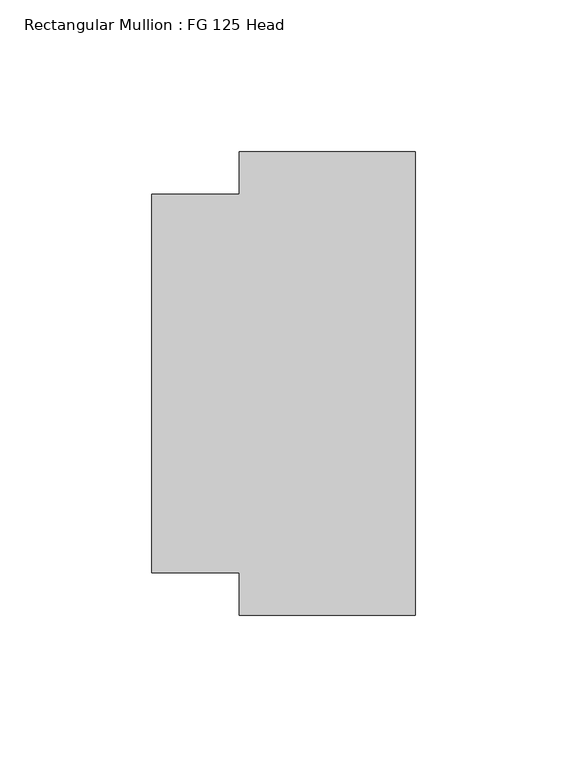
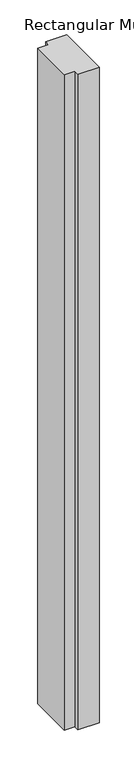
"""IFC4 building model written with IfcOpenShell, lengths in millimetres: member geometry, Rectangular Mullion : FG 125 Head."""

from ifc_helpers import new_model, si_unit, frame, origin, place, context, project, spatial, polyline, outline, extrude, source, transform, mapped, element, save


def rectangular_mullion_fg_125_head_e259f2f4(model_context):
    return source(origin(), model_context, "Body", "SweptSolid", [
        extrude(outline(polyline([(0.0, -76.5), (-58.0, -76.5), (-58.0, -62.4946881), (-87.0, -62.4946881), (-87.0, 62.5054723), (-58.0, 62.5054723), (-58.0, 76.5054723), (0.0, 76.5054723), (0.0, -76.5)])), frame((0.0, 0.0, -1895.0), z_axis=(0.0, 0.0, 1.0), x_axis=(1.0, 0.0, 0.0)), (0.0, 0.0, 1.0), 1895.0),
    ])


if __name__ == "__main__":
    model = new_model("IFC4")
    model_context = context("Model", 3, world=origin())
    ifc_project = project(units=[si_unit("LENGTHUNIT", "METRE", prefix="MILLI")], contexts=[model_context])
    site = spatial("IfcSite", under=ifc_project)
    building = spatial("IfcBuilding", under=site)
    placement = place(None, origin())
    rectangular_mullion_fg_125_head_shape = rectangular_mullion_fg_125_head_e259f2f4(model_context)
    element("IfcMember", 1, ObjectType="Rectangular Mullion : FG 125 Head", at=placement, inside=building, context=model_context, shape_type="MappedRepresentation", body=[
        mapped(rectangular_mullion_fg_125_head_shape, transform((0.0, 0.0, 0.0), x_axis=(1.0, 0.0, 0.0), y_axis=(0.0, 1.0, 0.0), z_axis=(0.0, 0.0, 1.0))),
    ])
    save(model, "model.ifc")
